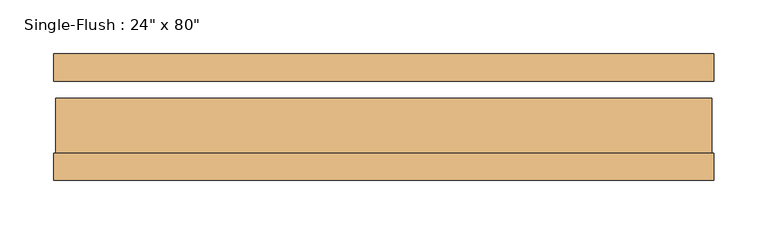
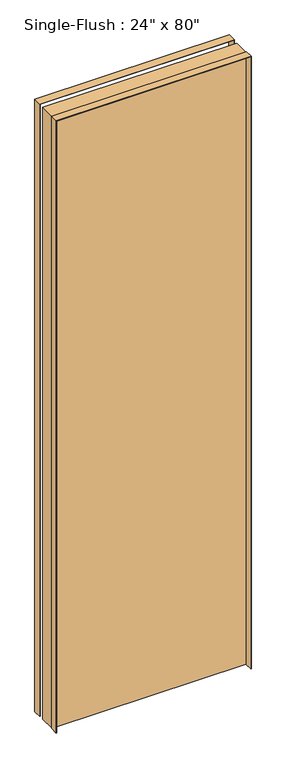
"""IFC4 building model written with IfcOpenShell, lengths in millimetres: door geometry."""

from ifc_helpers import new_model, si_unit, frame, origin, origin_with_axes, place, context, project, spatial, polyline, outline, extrude, source, transform, mapped, element, save


def door_8a4c6f2d(model_context):
    return source(origin(), model_context, "Body", "SweptSolid", [
        extrude(outline(polyline([(2033.5875, -306.3875), (0.0, -306.3875), (0.0, -304.8), (2032.0, -304.8), (2032.0, 304.8), (0.0, 304.8), (0.0, 306.3875), (2033.5875, 306.3875), (2033.5875, -306.3875)])), frame((0.0, -58.7375, 0.0), z_axis=(0.0, 1.0, 0.0), x_axis=(0.0, 0.0, 1.0)), (0.0, 0.0, 1.0), 25.4),
        extrude(outline(polyline([(2033.5875, 306.3875), (2033.5875, -306.3875), (0.0, -306.3875), (0.0, -304.8), (2032.0, -304.8), (2032.0, 304.8), (0.0, 304.8), (0.0, 306.3875), (2033.5875, 306.3875)])), frame((0.0, 33.3375, 0.0), z_axis=(0.0, 1.0, 0.0), x_axis=(0.0, 0.0, 1.0)), (0.0, 0.0, 1.0), 25.4),
        extrude(outline(polyline([(304.8, 17.4625), (304.8, -33.3375), (-304.8, -33.3375), (-304.8, 17.4625), (304.8, 17.4625)])), origin_with_axes(), (0.0, 0.0, 1.0), 2032.0),
    ])


if __name__ == "__main__":
    model = new_model("IFC4")
    model_context = context("Model", 3, world=origin())
    ifc_project = project(units=[si_unit("LENGTHUNIT", "METRE", prefix="MILLI")], contexts=[model_context])
    site = spatial("IfcSite", under=ifc_project)
    building = spatial("IfcBuilding", under=site)
    placement = place(None, origin())
    door_shape = door_8a4c6f2d(model_context)
    element("IfcDoor", 1, ObjectType="Single-Flush : 24\" x 80\"", at=placement, inside=building, context=model_context, shape_type="MappedRepresentation", body=[
        mapped(door_shape, transform((0.0, 0.0, 0.0), x_axis=(1.0, 0.0, 0.0), y_axis=(0.0, 1.0, 0.0), z_axis=(0.0, 0.0, 1.0))),
    ])
    save(model, "model.ifc")
